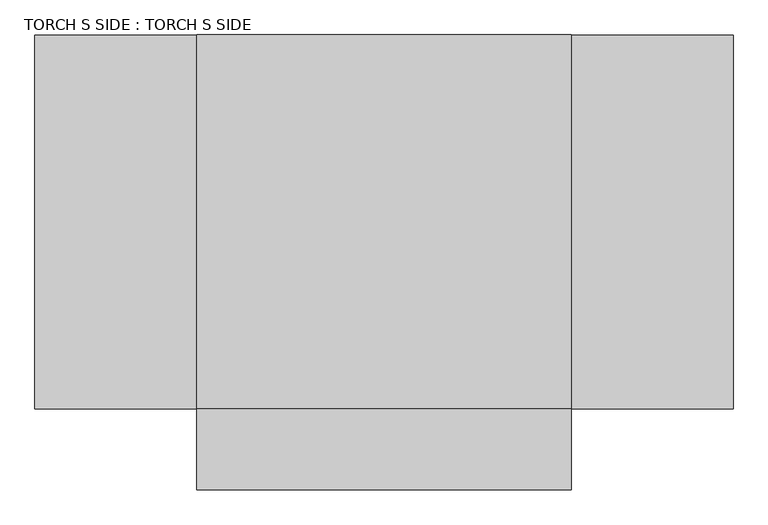
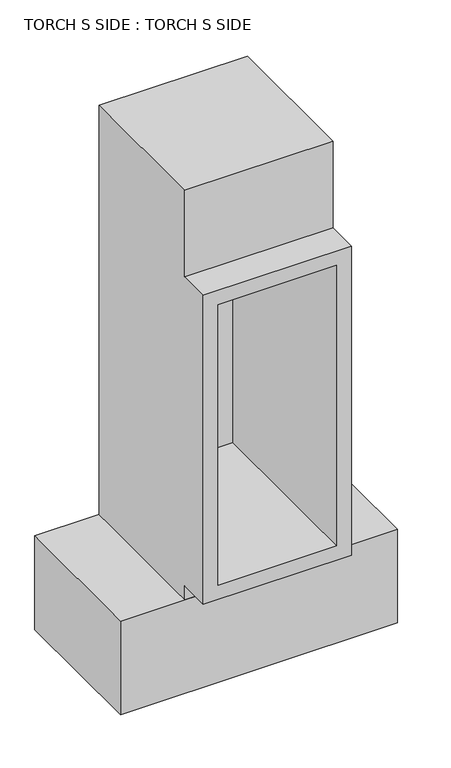
"""IFC4 building model written with IfcOpenShell, lengths in millimetres: proxy geometry, TORCH S SIDE : TORCH S SIDE."""

from ifc_helpers import new_model, si_unit, origin, origin_with_axes, place, context, project, spatial, polyline, outline, extrude, faceted_brep, source, transform, mapped, element, save


def torch_s_side_torch_s_side_ee2a53c0(model_context):
    return source(origin(), model_context, "Body", "SolidModel", [
        faceted_brep([(-381.0, 381.0, 2730.5), (-381.0, -381.0, 2730.5), (381.0, -381.0, 2730.5), (381.0, 381.0, 2730.5), (381.0, 381.0, 508.0), (381.0, -381.0, 508.0), (-381.0, -381.0, 508.0), (-381.0, 381.0, 508.0), (-381.0, 381.0, 2260.6), (-381.0, -381.0, 584.2), (-381.0, -546.1, 584.2), (-381.0, -546.1, 2260.6), (-381.0, -381.0, 2260.6), (381.0, -546.1, 584.2), (381.0, -546.1, 2260.6), (-304.8, -546.1, 2184.4), (304.8, -546.1, 2184.4), (304.8, -546.1, 660.4), (-304.8, -546.1, 660.4), (381.0, -381.0, 2260.6), (381.0, -381.0, 584.2), (381.0, 381.0, 2260.6), (304.8, 380.0, 2184.4), (-304.8, 380.0, 2184.4), (-304.8, 380.0, 660.4), (304.8, 380.0, 660.4)], [[[0, 1, 2, 3]], [[4, 5, 6, 7]], [[1, 0, 8, 7, 6, 9, 10, 11, 12]], [[11, 10, 13, 14], [15, 16, 17, 18]], [[3, 2, 19, 14, 13, 20, 5, 4, 21]], [[21, 8, 0, 3]], [[19, 12, 11, 14]], [[12, 19, 2, 1]], [[20, 9, 6, 5]], [[9, 20, 13, 10]], [[8, 21, 4, 7]], [[22, 23, 24, 25]], [[23, 22, 16, 15]], [[24, 23, 15, 18]], [[25, 24, 18, 17]], [[22, 25, 17, 16]]]),
        extrude(outline(polyline([(711.2, 381.0), (711.2, -381.0), (-711.2, -381.0), (-711.2, 381.0), (711.2, 381.0)])), origin_with_axes(), (0.0, 0.0, 1.0), 508.0),
    ])


if __name__ == "__main__":
    model = new_model("IFC4")
    model_context = context("Model", 3, world=origin())
    ifc_project = project(units=[si_unit("LENGTHUNIT", "METRE", prefix="MILLI")], contexts=[model_context])
    site = spatial("IfcSite", under=ifc_project)
    building = spatial("IfcBuilding", under=site)
    placement = place(None, origin())
    torch_s_side_torch_s_side_shape = torch_s_side_torch_s_side_ee2a53c0(model_context)
    element("IfcBuildingElementProxy", 1, Name="TORCH S SIDE : TORCH S SIDE", ObjectType="TORCH S SIDE : TORCH S SIDE", at=placement, inside=building, context=model_context, shape_type="MappedRepresentation", body=[
        mapped(torch_s_side_torch_s_side_shape, transform((0.0, 0.0, 0.0), x_axis=(1.0, 0.0, 0.0), y_axis=(0.0, 1.0, 0.0), z_axis=(0.0, 0.0, 1.0))),
    ])
    save(model, "model.ifc")
